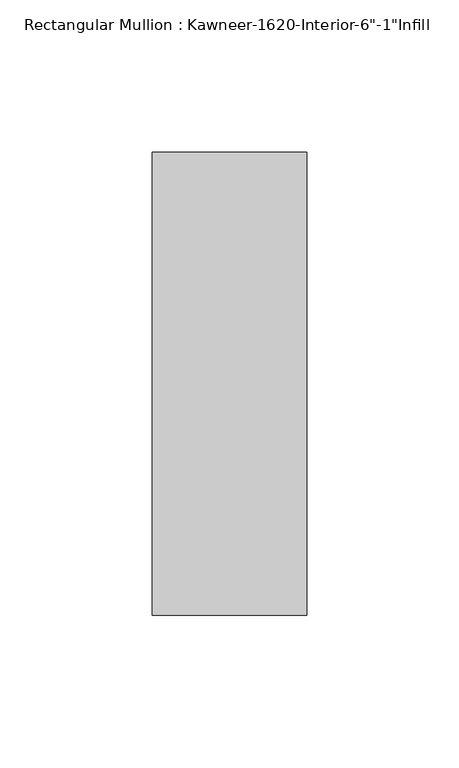
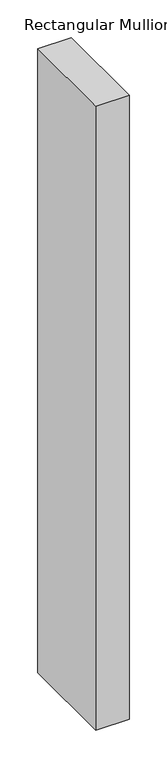
"""IFC4 building model written with IfcOpenShell, lengths in millimetres: member geometry."""

from ifc_helpers import new_model, si_unit, frame, origin, place, context, project, spatial, polyline, outline, extrude, source, transform, mapped, element, save


def member_ca507998(model_context):
    return source(origin(), model_context, "Body", "SweptSolid", [
        extrude(outline(polyline([(25.4, -114.3), (-25.4, -114.3), (-25.4, 38.1), (25.4, 38.1), (25.4, -114.3)])), frame((0.0, 0.0, -1004.6568005), z_axis=(0.0, 0.0, 1.0), x_axis=(1.0, 0.0, 0.0)), (0.0, 0.0, 1.0), 1004.6568005),
    ])


if __name__ == "__main__":
    model = new_model("IFC4")
    model_context = context("Model", 3, world=origin())
    ifc_project = project(units=[si_unit("LENGTHUNIT", "METRE", prefix="MILLI")], contexts=[model_context])
    site = spatial("IfcSite", under=ifc_project)
    building = spatial("IfcBuilding", under=site)
    placement = place(None, origin())
    member_shape = member_ca507998(model_context)
    element("IfcMember", 1, ObjectType="Rectangular Mullion : Kawneer-1620-Interior-6\"-1\"Infill", at=placement, inside=building, context=model_context, shape_type="MappedRepresentation", body=[
        mapped(member_shape, transform((0.0, 0.0, 0.0), x_axis=(1.0, 0.0, 0.0), y_axis=(0.0, 1.0, 0.0), z_axis=(0.0, 0.0, 1.0))),
    ])
    save(model, "model.ifc")
